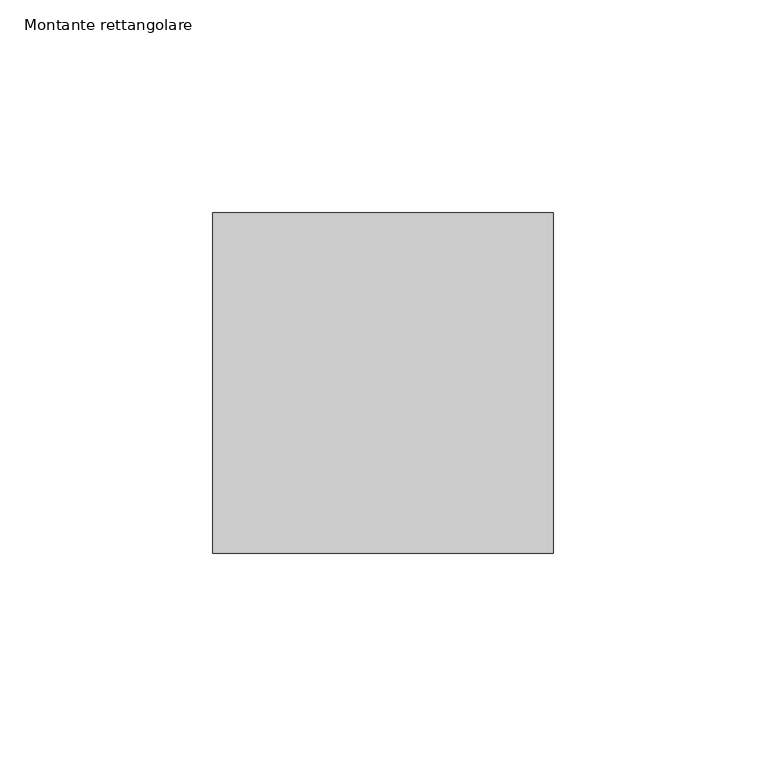
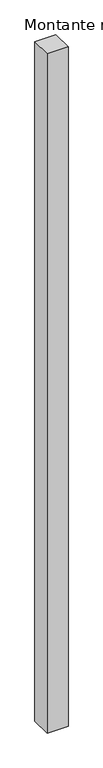
"""IFC4 building model written with IfcOpenShell, lengths in millimetres: member geometry, Montante rettangolare."""

from ifc_helpers import new_model, si_unit, frame, origin, place, context, project, spatial, polyline, outline, extrude, source, transform, mapped, element, save


def montante_rettangolare_db211d5f(model_context):
    return source(origin(), model_context, "Body", "SweptSolid", [
        extrude(outline(polyline([(0.0, 40.0), (0.0, -40.0), (-80.0, -40.0), (-80.0, 40.0), (0.0, 40.0)])), frame((0.0, 0.0, -2731.0517547), z_axis=(0.0, 0.0, 1.0), x_axis=(1.0, 0.0, 0.0)), (0.0, 0.0, 1.0), 2731.0517547),
    ])


if __name__ == "__main__":
    model = new_model("IFC4")
    model_context = context("Model", 3, world=origin())
    ifc_project = project(units=[si_unit("LENGTHUNIT", "METRE", prefix="MILLI")], contexts=[model_context])
    site = spatial("IfcSite", under=ifc_project)
    building = spatial("IfcBuilding", under=site)
    placement = place(None, origin())
    montante_rettangolare_shape = montante_rettangolare_db211d5f(model_context)
    element("IfcMember", 1, ObjectType="Montante rettangolare", at=placement, inside=building, context=model_context, shape_type="MappedRepresentation", body=[
        mapped(montante_rettangolare_shape, transform((0.0, 0.0, 0.0), x_axis=(1.0, 0.0, 0.0), y_axis=(0.0, 1.0, 0.0), z_axis=(0.0, 0.0, 1.0))),
    ])
    save(model, "model.ifc")
